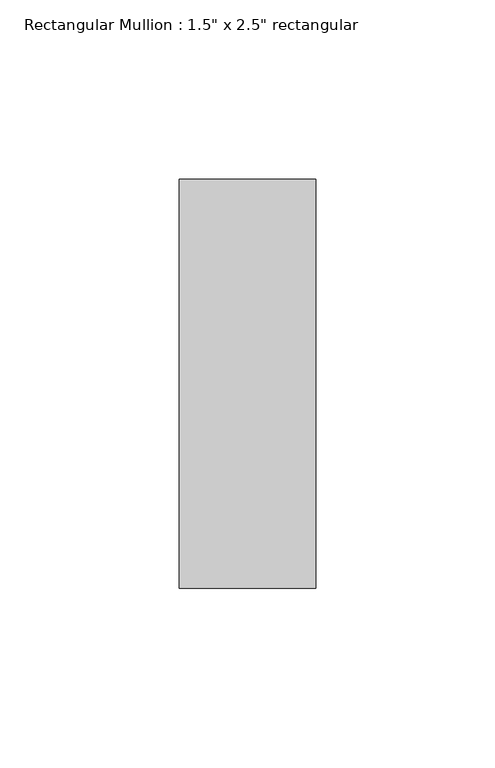
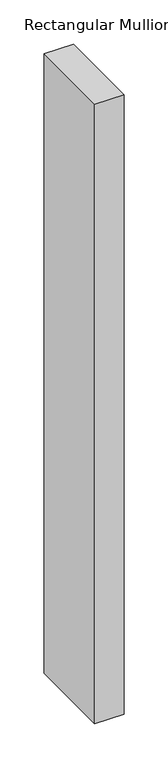
"""IFC4 building model written with IfcOpenShell, lengths in millimetres: member geometry."""

from ifc_helpers import new_model, si_unit, frame, origin, place, context, project, spatial, polyline, outline, extrude, source, transform, mapped, element, save


def member_e43ea2ca(model_context):
    return source(origin(), model_context, "Body", "SweptSolid", [
        extrude(outline(polyline([(0.0, 57.15), (0.0, -57.15), (-38.1, -57.15), (-38.1, 57.15), (0.0, 57.15)])), frame((0.0, 0.0, -853.5329268), z_axis=(0.0, 0.0, 1.0), x_axis=(1.0, 0.0, 0.0)), (0.0, 0.0, 1.0), 853.5329268),
    ])


if __name__ == "__main__":
    model = new_model("IFC4")
    model_context = context("Model", 3, world=origin())
    ifc_project = project(units=[si_unit("LENGTHUNIT", "METRE", prefix="MILLI")], contexts=[model_context])
    site = spatial("IfcSite", under=ifc_project)
    building = spatial("IfcBuilding", under=site)
    placement = place(None, origin())
    member_shape = member_e43ea2ca(model_context)
    element("IfcMember", 1, ObjectType="Rectangular Mullion : 1.5\" x 2.5\" rectangular", at=placement, inside=building, context=model_context, shape_type="MappedRepresentation", body=[
        mapped(member_shape, transform((0.0, 0.0, 0.0), x_axis=(1.0, 0.0, 0.0), y_axis=(0.0, 1.0, 0.0), z_axis=(0.0, 0.0, 1.0))),
    ])
    save(model, "model.ifc")
